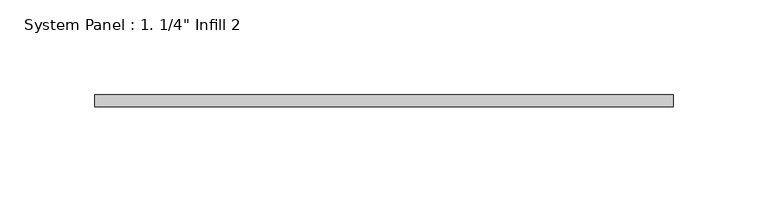
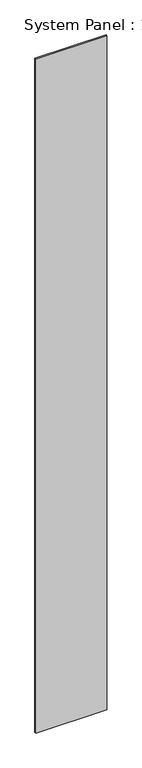
"""IFC4 building model written with IfcOpenShell, lengths in millimetres: plate geometry."""

import ifcopenshell
import ifcopenshell.guid

model = None  # the IFC model being written
_history = None  # IfcOwnerHistory: only IFC2X3 demands one
_inside = {}  # id of a spatial element -> (the spatial element, [elements in it])
_under = {}  # id of a project, library or spatial element -> (it, [spatial elements below it])
_declared = {}  # id of a project -> (the project, [libraries it declares])
_typed = {}  # id of a type object -> (the type object, [elements of that type])
_made_of = {}  # id of a material, layer set ... -> (it, [elements and type objects made of it])


def new_model(schema):
    """Start an empty IFC model of exactly this schema.

    Asked for "IFC4X3", IfcOpenShell would pick the latest addendum, in which some entities
    have other attributes; the version numbers below select the first issue.
    IFC2X3 requires an IfcOwnerHistory on every rooted entity: one is made here for all.
    """
    global model, _history
    if schema == "IFC4X3":
        model = ifcopenshell.file(schema_version=(4, 3, 0, 0))
    else:
        model = ifcopenshell.file(schema=schema)
    _inside.clear()
    _under.clear()
    _declared.clear()
    _typed.clear()
    _made_of.clear()
    _history = None
    if model.schema == "IFC2X3":
        org = make("IfcOrganization", Name="unknown")
        user = make(
            "IfcPersonAndOrganization",
            ThePerson=make("IfcPerson", FamilyName="unknown"),
            TheOrganization=org,
        )
        app = make(
            "IfcApplication",
            ApplicationDeveloper=org,
            Version="unknown",
            ApplicationFullName="unknown",
            ApplicationIdentifier="unknown",
        )
        _history = make(
            "IfcOwnerHistory",
            OwningUser=user,
            OwningApplication=app,
            ChangeAction="ADDED",
            CreationDate=0,
        )
    return model


def make(cls, **values):
    """One entity of the class cls with the attributes given. An attribute that is None is left unset."""
    return model.create_entity(
        cls, **{name: value for name, value in values.items() if value is not None}
    )


def rooted(cls, **values):
    """An entity with a GlobalId (a new one), such as an element, a storey or a relation."""
    return make(cls, GlobalId=ifcopenshell.guid.new(), OwnerHistory=_history, **values)


def si_unit(unit_type, name, prefix=None):
    """IfcSIUnit, for example si_unit("LENGTHUNIT", "METRE", prefix="MILLI")."""
    return make("IfcSIUnit", UnitType=unit_type, Prefix=prefix, Name=name)


def assignment(units):
    """IfcUnitAssignment: the units of a project."""
    return None if units is None else make("IfcUnitAssignment", Units=units)


def point(xyz):
    """IfcCartesianPoint."""
    return None if xyz is None else make("IfcCartesianPoint", Coordinates=xyz)


def direction(xyz):
    """IfcDirection."""
    return None if xyz is None else make("IfcDirection", DirectionRatios=xyz)


def frame(location, z_axis=None, x_axis=None):
    """IfcAxis2Placement3D, a coordinate frame: its origin and axes. An axis left out is left unset."""
    return make(
        "IfcAxis2Placement3D",
        Location=point(location),
        Axis=direction(z_axis),
        RefDirection=direction(x_axis),
    )


def origin():
    """The frame at (0, 0, 0) with its axes left unset."""
    return frame((0.0, 0.0, 0.0))


def origin_with_axes():
    """The frame at (0, 0, 0) with the z axis (0, 0, 1) and the x axis (1, 0, 0) written out."""
    return frame((0.0, 0.0, 0.0), z_axis=(0.0, 0.0, 1.0), x_axis=(1.0, 0.0, 0.0))


def place(relative_to, where):
    """IfcLocalPlacement: puts the frame where relative to a parent placement (None: the world)."""
    return make(
        "IfcLocalPlacement", PlacementRelTo=relative_to, RelativePlacement=where
    )


def context(
    kind, dimensions, precision=None, world=None, true_north=None, identifier=None
):
    """IfcGeometricRepresentationContext, for example the 3D "Model" context."""
    return make(
        "IfcGeometricRepresentationContext",
        ContextIdentifier=identifier,
        ContextType=kind,
        CoordinateSpaceDimension=dimensions,
        Precision=precision,
        WorldCoordinateSystem=world,
        TrueNorth=true_north,
    )


def project(units=None, contexts=None):
    """IfcProject with its units and contexts."""
    return rooted(
        "IfcProject",
        Name="project",
        RepresentationContexts=contexts,
        UnitsInContext=assignment(units),
    )


def spatial(cls, under=None, at=None, **own):
    """A site, building, storey or space (cls), placed at a placement, below another one or the project."""
    s = rooted(cls, ObjectPlacement=at, **own)
    if under is not None:
        _under.setdefault(under.id(), (under, []))[1].append(s)
    return s


def polyline(points):
    """IfcPolyline through the points."""
    return make("IfcPolyline", Points=[point(p) for p in points])


def outline(outer, holes=None, kind="AREA"):
    """IfcArbitraryClosedProfileDef: a profile drawn as a closed curve; with holes, ...WithVoids."""
    if holes is None:
        return make("IfcArbitraryClosedProfileDef", ProfileType=kind, OuterCurve=outer)
    return make(
        "IfcArbitraryProfileDefWithVoids",
        ProfileType=kind,
        OuterCurve=outer,
        InnerCurves=holes,
    )


def extrude(swept, where, along, depth):
    """IfcExtrudedAreaSolid: the profile swept, set in the frame where, extruded along a direction by depth."""
    return make(
        "IfcExtrudedAreaSolid",
        SweptArea=swept,
        Position=where,
        ExtrudedDirection=direction(along),
        Depth=depth,
    )


def shape(context_of_items, identifier, shape_type, items):
    """IfcShapeRepresentation: the items that make up one representation, for example the "Body"."""
    return make(
        "IfcShapeRepresentation",
        ContextOfItems=context_of_items,
        RepresentationIdentifier=identifier,
        RepresentationType=shape_type,
        Items=items,
    )


def source(mapping_origin, context_of_items, identifier, shape_type, items):
    """IfcRepresentationMap: a shape defined once, which mapped items show again and again."""
    return make(
        "IfcRepresentationMap",
        MappingOrigin=mapping_origin,
        MappedRepresentation=shape(context_of_items, identifier, shape_type, items),
    )


def transform(
    local_origin,
    x_axis=None,
    y_axis=None,
    z_axis=None,
    scale=None,
    scale2=None,
    scale3=None,
    uniform=True,
):
    """IfcCartesianTransformationOperator3D, or its non-uniform kind. x_axis, y_axis, z_axis: its Axis1, 2, 3."""
    if uniform:
        return make(
            "IfcCartesianTransformationOperator3D",
            Axis1=direction(x_axis),
            Axis2=direction(y_axis),
            LocalOrigin=point(local_origin),
            Scale=scale,
            Axis3=direction(z_axis),
        )
    return make(
        "IfcCartesianTransformationOperator3DnonUniform",
        Axis1=direction(x_axis),
        Axis2=direction(y_axis),
        LocalOrigin=point(local_origin),
        Scale=scale,
        Axis3=direction(z_axis),
        Scale2=scale2,
        Scale3=scale3,
    )


def mapped(mapping_source, mapping_target):
    """IfcMappedItem: shows the shape of a source again, moved by a transform."""
    return make(
        "IfcMappedItem", MappingSource=mapping_source, MappingTarget=mapping_target
    )


def made_of(thing, what):
    """Note that an element or type object is made of a material, layer set ...; save() writes the relation."""
    if what is not None:
        _made_of.setdefault(what.id(), (what, []))[1].append(thing)
    return thing


def element(
    cls,
    number,
    at=None,
    inside=None,
    cuts=None,
    type_object=None,
    material=None,
    context=None,
    identifier="Body",
    shape_type=None,
    held_by="IfcProductDefinitionShape",
    body=None,
    shapes=None,
    **own,
):
    """One element of the class cls, such as IfcWall. Its Tag is "e" and its number.

    at: its placement. inside: the storey or other place that contains it. cuts: it is an
    opening in that element (IfcRelVoidsElement). A single representation is given by context,
    identifier, shape_type and body (its items); several are given by shapes. held_by: the class
    of the entity that holds the representations. save() writes the other relations.
    """
    e = rooted(cls, Tag="e%d" % number, ObjectPlacement=at, **own)
    if body is not None:
        shapes = [shape(context, identifier, shape_type, body)]
    if shapes is not None:
        e.Representation = make(held_by, Representations=shapes)
    if inside is not None:
        _inside.setdefault(inside.id(), (inside, []))[1].append(e)
    if cuts is not None:
        rooted(
            "IfcRelVoidsElement", RelatingBuildingElement=cuts, RelatedOpeningElement=e
        )
    if type_object is not None:
        _typed.setdefault(type_object.id(), (type_object, []))[1].append(e)
    return made_of(e, material)


def aggregate(whole, parts):
    """IfcRelAggregates: a whole, such as a stair, and the parts it consists of."""
    return rooted("IfcRelAggregates", RelatingObject=whole, RelatedObjects=parts)


def save(model, path):
    """Write the relations noted so far, then the file.

    IfcRelAggregates (storeys below a building ...), IfcRelContainedInSpatialStructure (elements
    in a storey), IfcRelDefinesByType, IfcRelAssociatesMaterial and IfcRelDeclares: one each for
    every whole, place, type object, material and project.
    """
    for whole, parts in _under.values():
        aggregate(whole, parts)
    for where, things in _inside.values():
        rooted(
            "IfcRelContainedInSpatialStructure",
            RelatedElements=things,
            RelatingStructure=where,
        )
    for kind, things in _typed.values():
        rooted("IfcRelDefinesByType", RelatedObjects=things, RelatingType=kind)
    for what, things in _made_of.values():
        rooted("IfcRelAssociatesMaterial", RelatedObjects=things, RelatingMaterial=what)
    for by, libraries in _declared.values():
        rooted("IfcRelDeclares", RelatingContext=by, RelatedDefinitions=libraries)
    model.write(path)


def plate_678b23cb(model_context):
    return source(origin(), model_context, "Body", "SweptSolid", [
        extrude(outline(polyline([(152.3612046, -6.35), (-152.3612046, -6.35), (-152.3612046, 0.0), (152.3612046, 0.0), (152.3612046, -6.35)])), origin_with_axes(), (0.0, 0.0, 1.0), 3048.0),
    ])


if __name__ == "__main__":
    model = new_model("IFC4")
    model_context = context("Model", 3, world=origin())
    ifc_project = project(units=[si_unit("LENGTHUNIT", "METRE", prefix="MILLI")], contexts=[model_context])
    site = spatial("IfcSite", under=ifc_project)
    building = spatial("IfcBuilding", under=site)
    placement = place(None, origin())
    plate_shape = plate_678b23cb(model_context)
    element("IfcPlate", 1, ObjectType="System Panel : 1. 1/4\" Infill 2", at=placement, inside=building, context=model_context, shape_type="MappedRepresentation", body=[
        mapped(plate_shape, transform((0.0, 0.0, 0.0), x_axis=(1.0, 0.0, 0.0), y_axis=(0.0, 1.0, 0.0), z_axis=(0.0, 0.0, 1.0))),
    ])
    save(model, "model.ifc")
